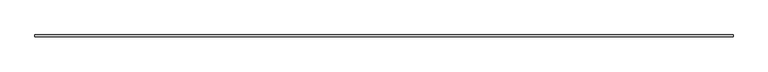
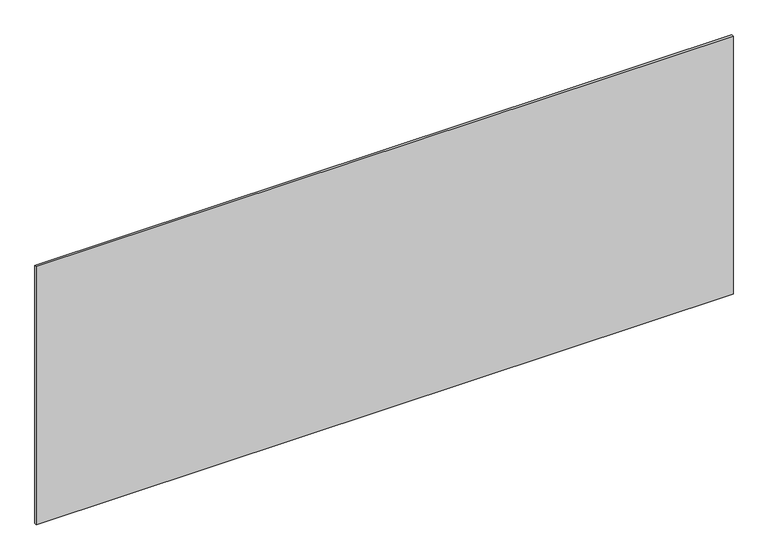
"""IFC4 building model written with IfcOpenShell, lengths in millimetres: plate geometry."""

from ifc_helpers import new_model, si_unit, origin, origin_with_axes, place, context, project, spatial, polyline, outline, extrude, source, transform, mapped, element, save


def plate_84c4f766(model_context):
    return source(origin(), model_context, "Body", "SweptSolid", [
        extrude(outline(polyline([(1697.5, -5.0), (-1697.5, -5.0), (-1697.5, 5.0), (1697.5, 5.0), (1697.5, -5.0)])), origin_with_axes(), (0.0, 0.0, 1.0), 1329.6791609),
    ])


if __name__ == "__main__":
    model = new_model("IFC4")
    model_context = context("Model", 3, world=origin())
    ifc_project = project(units=[si_unit("LENGTHUNIT", "METRE", prefix="MILLI")], contexts=[model_context])
    site = spatial("IfcSite", under=ifc_project)
    building = spatial("IfcBuilding", under=site)
    placement = place(None, origin())
    plate_shape = plate_84c4f766(model_context)
    element("IfcPlate", 1, at=placement, inside=building, context=model_context, shape_type="MappedRepresentation", body=[
        mapped(plate_shape, transform((0.0, 0.0, 0.0), x_axis=(1.0, 0.0, 0.0), y_axis=(0.0, 1.0, 0.0), z_axis=(0.0, 0.0, 1.0))),
    ])
    save(model, "model.ifc")
